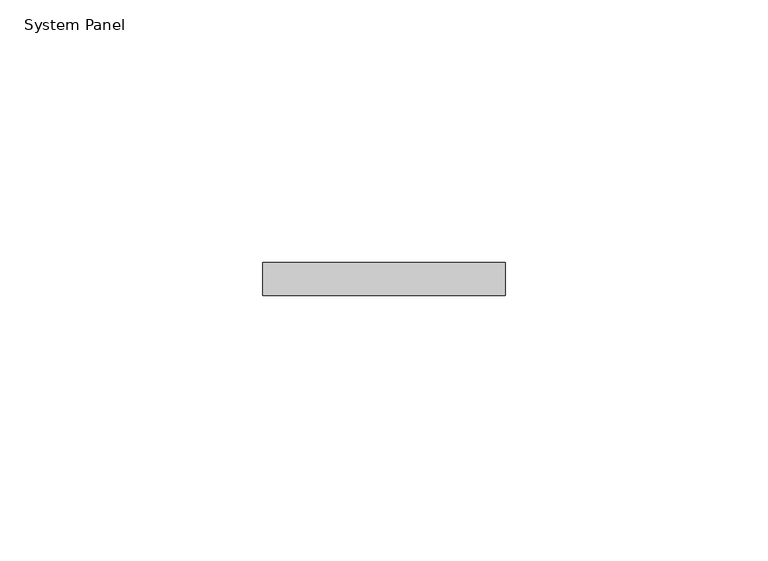
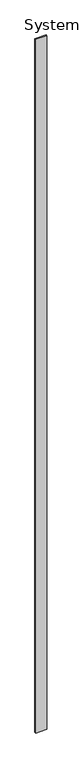
"""IFC4 building model written with IfcOpenShell, lengths in millimetres: plate geometry, System Panel."""

from ifc_helpers import new_model, si_unit, origin, origin_with_axes, place, context, project, spatial, polyline, outline, extrude, source, transform, mapped, element, save


def system_panel_afe843c8(model_context):
    return source(origin(), model_context, "Body", "SweptSolid", [
        extrude(outline(polyline([(23.1273742, -6.35), (-23.1273742, -6.35), (-23.1273742, 0.0), (23.1273742, 0.0), (23.1273742, -6.35)])), origin_with_axes(), (0.0, 0.0, 1.0), 3048.0),
    ])


if __name__ == "__main__":
    model = new_model("IFC4")
    model_context = context("Model", 3, world=origin())
    ifc_project = project(units=[si_unit("LENGTHUNIT", "METRE", prefix="MILLI")], contexts=[model_context])
    site = spatial("IfcSite", under=ifc_project)
    building = spatial("IfcBuilding", under=site)
    placement = place(None, origin())
    system_panel_shape = system_panel_afe843c8(model_context)
    element("IfcPlate", 1, ObjectType="System Panel", at=placement, inside=building, context=model_context, shape_type="MappedRepresentation", body=[
        mapped(system_panel_shape, transform((0.0, 0.0, 0.0), x_axis=(1.0, 0.0, 0.0), y_axis=(0.0, 1.0, 0.0), z_axis=(0.0, 0.0, 1.0))),
    ])
    save(model, "model.ifc")
